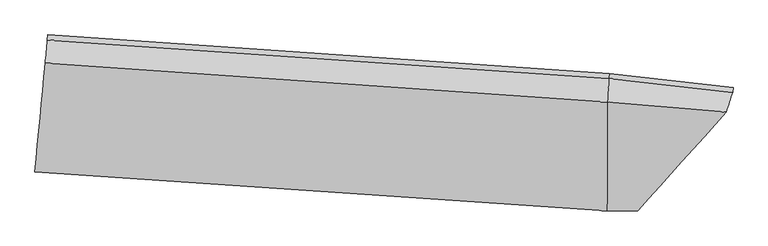
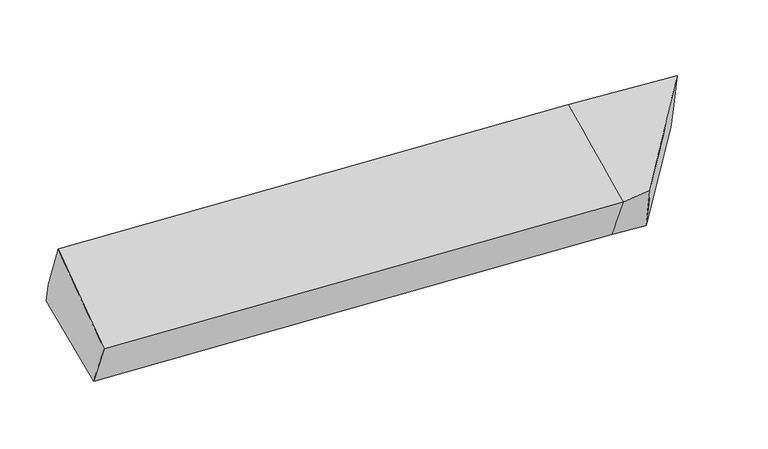
"""IFC4 building model written with IfcOpenShell, lengths in millimetres: proxy geometry."""

from ifc_helpers import new_model, si_unit, frame, origin, place, context, project, spatial, source, transform, mapped, element, save
from ifc_brep_helpers import plane_surface, spline_surface, advanced_brep


def generic_models_c6b76e32(model_context):
    return source(origin(), model_context, "Body", "AdvancedBrep", [
        advanced_brep(
        [(-2628.6570762, -1924.1420438, 2056.1634624), (-2613.7172681, -1766.1812895, 1705.8523207), (1031.8984671, -2016.3447347, 1717.1682755), (1023.4123762, -2174.6523231, 2067.5386332), (-2545.8021072, -1047.4730346, 1868.4745064), (1038.4307605, -1294.3376574, 1879.2272443), (-2548.9084403, -1080.2903037, 2014.8076112), (1035.3244274, -1327.1549265, 2025.5603491), (-2563.037382, -1229.6631739, 2386.340956), (1026.5643029, -1476.8163262, 2397.1429554), (1825.641434, -1415.1224179, 2017.02964), (1783.3938269, -1542.3872522, 2396.7947343), (1221.2571418, -2173.1981061, 2086.8269717), (1267.6378761, -2043.8286488, 1722.1280392), (1828.5114236, -1384.802032, 1881.8302064)],
        [
            (0, 1),
            (1, 2),
            (2, 3),
            (3, 0),
            (1, 4),
            (4, 5),
            (5, 1),
            (4, 6),
            (6, 7),
            (7, 5),
            (6, 8),
            (8, 9),
            (9, 7),
            (8, 0),
            (3, 9),
            (10, 11),
            (11, 12),
            (12, 13),
            (13, 14),
            (14, 10),
            (5, 2),
            (9, 11),
            (10, 7),
            (3, 12),
            (2, 13),
            (5, 14),
        ],
        [
            spline_surface(1, 1, [[(-2628.6570762, -1924.1420438, 2056.1634624), (1023.4123762, -2174.6523231, 2067.5386332)], [(-2613.7172681, -1766.1812895, 1705.8523207), (1031.8984671, -2016.3447347, 1717.1682755)]], [2, 2], [2, 2], [0.0, 1.0], [0.0, 1.0]),
            plane_surface(frame((-2579.7596876, -1406.827162, 1787.1634136), z_axis=(0.018012787138977082, 0.21903577668427257, -0.9755505461183461), x_axis=(0.09177724447191919, 0.9712273714383141, 0.21975971051620163))),
            plane_surface(frame((-2547.3552737, -1063.8816692, 1941.6410588), z_axis=(0.06637778610938298, 0.9733095082751574, 0.21968748396845175), x_axis=(-0.020708887778105818, -0.21878179421262745, 0.975554031557503))),
            spline_surface(1, 1, [[(-2548.9084403, -1080.2903037, 2014.8076112), (1035.3244274, -1327.1549265, 2025.5603491)], [(-2563.037382, -1229.6631739, 2386.340956), (1026.5643029, -1476.8163262, 2397.1429554)]], [2, 2], [2, 2], [0.0, 1.0], [0.0, 1.0]),
            spline_surface(1, 1, [[(-2563.037382, -1229.6631739, 2386.340956), (1026.5643029, -1476.8163262, 2397.1429554)], [(-2628.6570762, -1924.1420438, 2056.1634624), (1023.4123762, -2174.6523231, 2067.5386332)]], [2, 2], [2, 2], [0.0, 1.0], [0.0, 1.0]),
            plane_surface(frame((1585.2883405, -1711.8676914, 2020.9219183), z_axis=(0.7702909085784281, -0.6255337552879433, -0.12393319634699734), x_axis=(-0.10489940933591017, -0.31599436854641105, 0.9429441515635655))),
            plane_surface(frame((-2580.0244548, -1409.5499691, 2006.3277714), z_axis=(-0.9955642015280257, 0.09408464003304964, -3.3848428737902336e-05), x_axis=(0.08502528568879064, 0.8998558284417963, 0.42782027629936836))),
            plane_surface(frame((-2613.7172681, -1766.1812895, 1705.8523207), z_axis=(0.018043486549968176, 0.21881606624238553, -0.9755992833880769), x_axis=(0.008827423632295404, 0.9756852396926358, 0.21899860647488142))),
            spline_surface(1, 1, [[(1035.3244274, -1327.1549265, 2025.5603491), (1825.641434, -1415.1224179, 2017.02964)], [(1026.5643029, -1476.8163262, 2397.1429554), (1783.3938269, -1542.3872522, 2396.7947343)]], [2, 2], [2, 2], [0.0, 1.0], [0.0, 1.0]),
            spline_surface(1, 1, [[(1026.5643029, -1476.8163262, 2397.1429554), (1783.3938269, -1542.3872522, 2396.7947343)], [(1023.4123762, -2174.6523231, 2067.5386332), (1221.2571418, -2173.1981061, 2086.8269717)]], [2, 2], [2, 2], [0.0, 1.0], [0.0, 1.0]),
            spline_surface(1, 1, [[(1023.4123762, -2174.6523231, 2067.5386332), (1221.2571418, -2173.1981061, 2086.8269717)], [(1031.8984671, -2016.3447347, 1717.1682755), (1267.6378761, -2043.8286488, 1722.1280392)]], [2, 2], [2, 2], [0.0, 1.0], [0.0, 1.0]),
            spline_surface(1, 1, [[(1031.8984671, -2016.3447347, 1717.1682755), (1267.6378761, -2043.8286488, 1722.1280392)], [(1038.4307605, -1294.3376574, 1879.2272443), (1828.5114236, -1384.802032, 1881.8302064)]], [2, 2], [2, 2], [0.0, 1.0], [0.0, 1.0]),
            plane_surface(frame((1036.877594, -1310.7462919, 1952.3937967), z_axis=(0.11026241973664501, 0.9693112349532967, 0.2197223898175488), x_axis=(-0.020708887778163983, -0.21878179421257224, 0.9755540315575141))),
        ],
        [
            (0, [[1, 2, 3, 4]]),
            (1, [[5, 6, 7]]),
            (2, [[8, 9, 10, -6]]),
            (3, [[11, 12, 13, -9]]),
            (4, [[14, -4, 15, -12]]),
            (5, [[16, 17, 18, 19, 20]]),
            (6, [[-14, -11, -8, -5, -1]]),
            (7, [[21, -2, -7]]),
            (8, [[-13, 22, -16, 23]]),
            (9, [[-15, 24, -17, -22]]),
            (10, [[-3, 25, -18, -24]]),
            (11, [[-21, 26, -19, -25]]),
            (12, [[-10, -23, -20, -26]]),
        ],
    ),
    ])


if __name__ == "__main__":
    model = new_model("IFC4")
    model_context = context("Model", 3, world=origin())
    ifc_project = project(units=[si_unit("LENGTHUNIT", "METRE", prefix="MILLI")], contexts=[model_context])
    site = spatial("IfcSite", under=ifc_project)
    building = spatial("IfcBuilding", under=site)
    placement = place(None, origin())
    generic_models_shape = generic_models_c6b76e32(model_context)
    element("IfcBuildingElementProxy", 1, Name="Generic Models", at=placement, inside=building, context=model_context, shape_type="MappedRepresentation", body=[
        mapped(generic_models_shape, transform((0.0, 0.0, 0.0), x_axis=(1.0, 0.0, 0.0), y_axis=(0.0, 1.0, 0.0), z_axis=(0.0, 0.0, 1.0))),
    ])
    save(model, "model.ifc")
